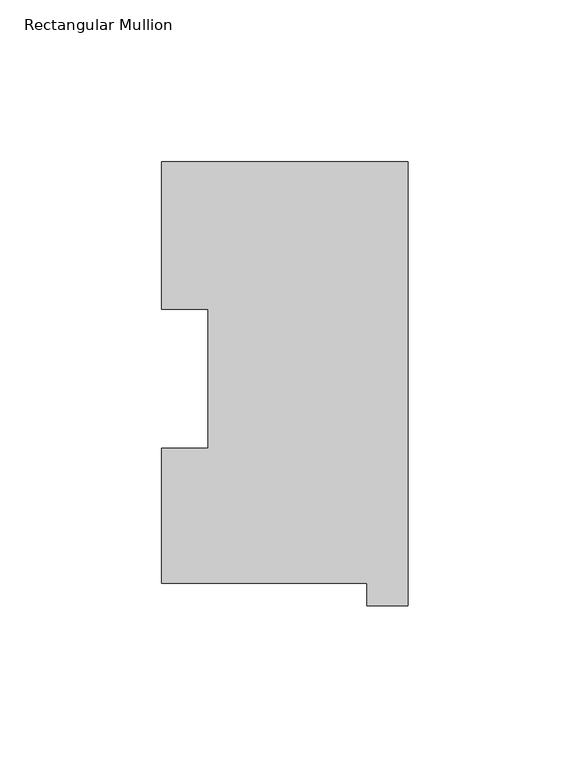
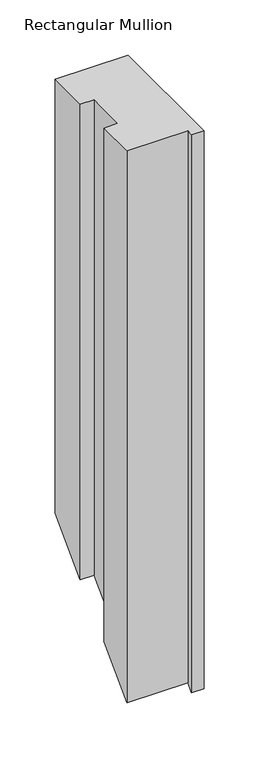
"""IFC4 building model written with IfcOpenShell, lengths in millimetres: member geometry, Rectangular Mullion."""

from ifc_helpers import new_model, si_unit, origin, place, context, project, spatial, faceted_brep, source, transform, mapped, element, save


def rectangular_mullion_77d959c0(model_context):
    return source(origin(), model_context, "Body", "Brep", [
        faceted_brep([(-76.2, 130.56235, 0.0), (-76.2, 84.93125, 0.0), (-61.9101579, 84.93125, 0.0), (-61.9101579, 42.0485036, 0.0), (-76.2, 42.0485036, 0.0), (-76.2, 0.26035, 0.0), (-12.7, 0.26035, 0.0), (-12.7, -6.64845, 0.0), (0.0, -6.64845, 0.0), (0.0, 130.56235, 0.0), (-76.2, 130.56235, -479.03765), (-76.2, 84.93125, -524.66875), (-61.9101579, 84.93125, -524.66875), (-61.9101579, 42.0485036, -567.5514964), (-76.2, 42.0485036, -567.5514964), (-76.2, 0.26035, -609.33965), (-12.7, 0.26035, -609.33965), (-12.7, -6.64845, -616.24845), (0.0, -6.64845, -616.24845), (0.0, 130.56235, -479.03765)], [[[0, 1, 2, 3, 4, 5, 6, 7, 8, 9]], [[1, 0, 10, 11]], [[2, 1, 11, 12]], [[3, 2, 12, 13]], [[4, 3, 13, 14]], [[5, 4, 14, 15]], [[6, 5, 15, 16]], [[7, 6, 16, 17]], [[8, 7, 17, 18]], [[9, 8, 18, 19]], [[0, 9, 19, 10]], [[10, 19, 18, 17, 16, 15, 14, 13, 12, 11]]]),
    ])


if __name__ == "__main__":
    model = new_model("IFC4")
    model_context = context("Model", 3, world=origin())
    ifc_project = project(units=[si_unit("LENGTHUNIT", "METRE", prefix="MILLI")], contexts=[model_context])
    site = spatial("IfcSite", under=ifc_project)
    building = spatial("IfcBuilding", under=site)
    placement = place(None, origin())
    rectangular_mullion_shape = rectangular_mullion_77d959c0(model_context)
    element("IfcMember", 1, ObjectType="Rectangular Mullion", at=placement, inside=building, context=model_context, shape_type="MappedRepresentation", body=[
        mapped(rectangular_mullion_shape, transform((0.0, 0.0, 0.0), x_axis=(1.0, 0.0, 0.0), y_axis=(0.0, 1.0, 0.0), z_axis=(0.0, 0.0, 1.0))),
    ])
    save(model, "model.ifc")
